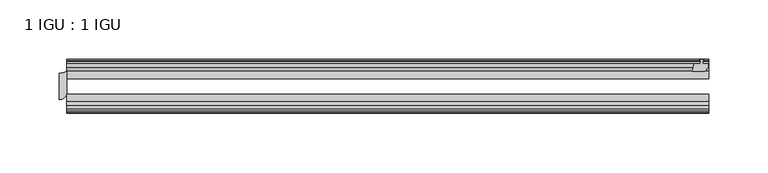
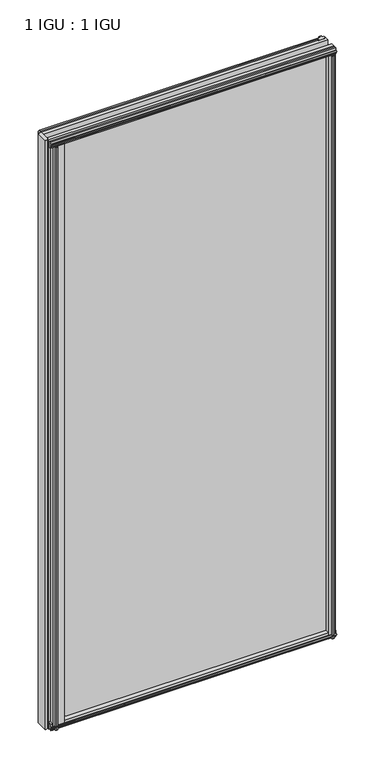
"""IFC4 building model written with IfcOpenShell, lengths in millimetres: plate geometry, 1 IGU : 1 IGU."""

from ifc_helpers import new_model, si_unit, point, frame, frame_2d, origin, place, context, project, spatial, polyline, circle_curve, trimmed, segment, composite_curve, outline, extrude, source, transform, mapped, element, save


def plate_1_igu_1_igu_6a9720e9(model_context):
    return source(origin(), model_context, "Body", "SweptSolid", [
        extrude(outline(composite_curve([segment(trimmed(circle_curve(frame_2d((-282.575, -9.2004624)), 12.1389698), [point((-282.575, -21.3394322))], [point((-276.225, -19.5460937))], True, "CARTESIAN"), True, "CONTINUOUS"), segment(polyline([(-276.225, -19.5460937), (-276.225, -37.2144322)]), True, "CONTINUOUS"), segment(trimmed(circle_curve(frame_2d((-282.575, -37.2144322)), 6.35), [point((-276.225, -37.2144322))], [point((-282.575, -43.5644322))], False, "CARTESIAN"), True, "CONTINUOUS"), segment(polyline([(-282.575, -43.5644322), (-282.575, -21.3394322)]), True, "CONTINUOUS")], self_intersect=False)), frame((0.0, 0.0, -12.4587), z_axis=(0.0, 0.0, 1.0), x_axis=(1.0, 0.0, 0.0)), (0.0, 0.0, 1.0), 1180.6174),
        extrude(outline(polyline([(255.5181709, -10.4746158), (257.6957, -9.7670938), (259.8732291, -10.4746158), (259.8732291, -11.27583), (258.4577, -10.8158968), (258.8387, -13.1960938), (263.2837, -13.1960938), (263.2837, -16.1424938), (260.4493578, -19.5460938), (249.6279819, -19.5460938), (251.3457, -13.1960938), (256.5527, -13.1960938), (256.9337, -10.8158968), (255.5181709, -11.27583), (255.5181709, -10.4746158)])), frame((0.0, 0.0, -12.4587), z_axis=(0.0, 0.0, 1.0), x_axis=(1.0, 0.0, 0.0)), (0.0, 0.0, 1.0), 1180.6174),
        extrude(outline(composite_curve([segment(polyline([(-273.05, -44.9460937), (-248.9617558, -44.9460937)]), True, "CONTINUOUS"), segment(trimmed(circle_curve(frame_2d((-242.0493721, -50.4227155)), 8.8189814), [point((-248.9617558, -44.9460937))], [point((-250.825, -51.2960937))], True, "CARTESIAN"), True, "CONTINUOUS"), segment(polyline([(-250.825, -51.2960937), (-265.43, -51.2960937), (-265.7475, -53.4006957), (-264.5288941, -53.0741712), (-264.3251, -53.8347412), (-266.7, -54.4710937), (-269.0749, -53.8347412), (-268.8711059, -53.0741712), (-267.6525, -53.4006957), (-267.97, -51.2960937), (-273.05, -51.2960937), (-273.05, -44.9460937)]), True, "CONTINUOUS")], self_intersect=False)), frame((0.0, 0.0, -12.4587), z_axis=(0.0, 0.0, 1.0), x_axis=(1.0, 0.0, 0.0)), (0.0, 0.0, 1.0), 1167.9174),
        extrude(outline(polyline([(249.1105839, -44.9460938), (259.9319598, -44.9460938), (262.766302, -48.3496938), (262.766302, -51.2960938), (258.321302, -51.2960938), (257.940302, -53.6762907), (259.355831, -53.2163575), (259.355831, -54.0175717), (257.178302, -54.7250938), (255.0007729, -54.0175717), (255.0007729, -53.2163575), (256.416302, -53.6762907), (256.035302, -51.2960938), (250.828302, -51.2960938), (249.1105839, -44.9460938)])), frame((0.0, 0.0, -12.4587), z_axis=(0.0, 0.0, 1.0), x_axis=(1.0, 0.0, 0.0)), (0.0, 0.0, 1.0), 1167.9174),
        extrude(outline(polyline([(-10.4746158, -4.6931709), (-9.7670937, -6.8707), (-10.4746158, -9.0482291), (-11.27583, -9.0482291), (-10.8158968, -7.6327), (-13.1960937, -8.0137), (-13.1960937, -12.4587), (-16.1424937, -12.4587), (-19.5460937, -9.6243578), (-19.5460937, 1.1970181), (-13.1960937, -0.5207), (-13.1960937, -5.7277), (-10.8158968, -6.1087), (-11.27583, -4.6931709), (-10.4746158, -4.6931709)])), frame((-276.225, 0.0, 0.0), z_axis=(1.0, 0.0, 0.0), x_axis=(0.0, 1.0, 0.0)), (0.0, 0.0, 1.0), 539.75),
        extrude(outline(polyline([(-44.9460937, 1.7177181), (-44.9460937, -9.1036578), (-48.3496937, -11.938), (-51.2960937, -11.938), (-51.2960937, -7.493), (-53.6762907, -7.112), (-53.2163575, -8.5275291), (-54.0175717, -8.5275291), (-54.7250937, -6.35), (-54.0175717, -4.1724709), (-53.2163575, -4.1724709), (-53.6762907, -5.588), (-51.2960937, -5.207), (-51.2960937, 0.0), (-44.9460937, 1.7177181)])), frame((-276.225, 0.0, 0.0), z_axis=(1.0, 0.0, 0.0), x_axis=(0.0, 1.0, 0.0)), (0.0, 0.0, 1.0), 539.75),
        extrude(outline(polyline([(-10.8158968, 1163.3327), (-11.27583, 1164.7482291), (-10.4746158, 1164.7482291), (-9.7670937, 1162.5707), (-10.4746158, 1160.3931709), (-11.27583, 1160.3931709), (-10.8158968, 1161.8087), (-13.1960937, 1161.4277), (-13.1960937, 1156.2207), (-19.5460938, 1154.5029819), (-19.5460938, 1165.3243578), (-16.1424937, 1168.1587), (-13.1960937, 1168.1587), (-13.1960937, 1163.7137), (-10.8158968, 1163.3327)])), frame((-276.225, 0.0, 0.0), z_axis=(1.0, 0.0, 0.0), x_axis=(0.0, 1.0, 0.0)), (0.0, 0.0, 1.0), 539.75),
        extrude(outline(polyline([(-51.2960937, 1167.638), (-48.3496937, 1167.638), (-44.9460938, 1164.8036578), (-44.9460938, 1153.9822819), (-51.2960937, 1155.7), (-51.2960937, 1160.907), (-53.6762907, 1161.288), (-53.2163575, 1159.8724709), (-54.0175717, 1159.8724709), (-54.7250937, 1162.05), (-54.0175717, 1164.2275291), (-53.2163575, 1164.2275291), (-53.6762907, 1162.812), (-51.2960937, 1163.193), (-51.2960937, 1167.638)])), frame((-276.225, 0.0, 0.0), z_axis=(1.0, 0.0, 0.0), x_axis=(0.0, 1.0, 0.0)), (0.0, 0.0, 1.0), 539.75),
        extrude(outline(polyline([(-276.225, -38.9186738), (263.525, -38.9186738), (263.525, -44.9460937), (-276.225, -44.9460937), (-276.225, -38.9186738)])), frame((0.0, 0.0, -12.7), z_axis=(0.0, 0.0, 1.0), x_axis=(1.0, 0.0, 0.0)), (0.0, 0.0, 1.0), 1181.1),
        extrude(outline(polyline([(-276.225, -19.5460937), (263.525, -19.5460937), (263.525, -25.8960938), (-276.225, -25.8960938), (-276.225, -19.5460937)])), frame((0.0, 0.0, -12.7), z_axis=(0.0, 0.0, 1.0), x_axis=(1.0, 0.0, 0.0)), (0.0, 0.0, 1.0), 1181.1),
    ])


if __name__ == "__main__":
    model = new_model("IFC4")
    model_context = context("Model", 3, world=origin())
    ifc_project = project(units=[si_unit("LENGTHUNIT", "METRE", prefix="MILLI")], contexts=[model_context])
    site = spatial("IfcSite", under=ifc_project)
    building = spatial("IfcBuilding", under=site)
    placement = place(None, origin())
    plate_1_igu_1_igu_shape = plate_1_igu_1_igu_6a9720e9(model_context)
    element("IfcPlate", 1, ObjectType="1 IGU : 1 IGU", at=placement, inside=building, context=model_context, shape_type="MappedRepresentation", body=[
        mapped(plate_1_igu_1_igu_shape, transform((0.0, 0.0, 0.0), x_axis=(1.0, 0.0, 0.0), y_axis=(0.0, 1.0, 0.0), z_axis=(0.0, 0.0, 1.0))),
    ])
    save(model, "model.ifc")
